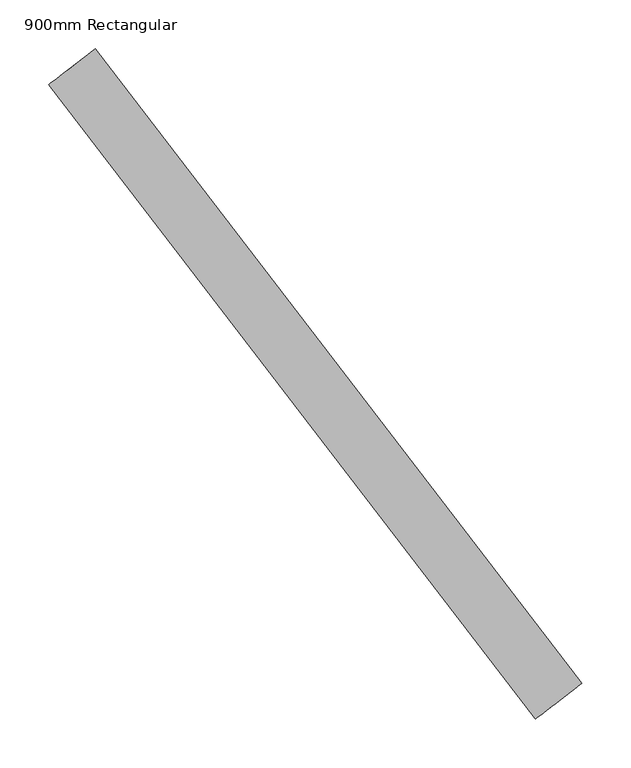
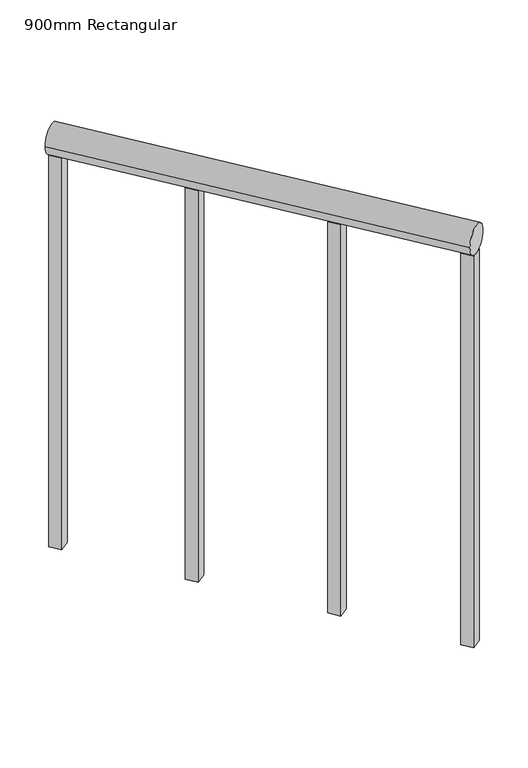
"""IFC4 building model written with IfcOpenShell, lengths in millimetres: railing geometry, 900mm Rectangular."""

from ifc_helpers import new_model, si_unit, point, frame, frame_2d, origin, place, context, project, spatial, polyline, circle_curve, trimmed, segment, composite_curve, outline, extrude, source, transform, mapped, element, save


def railing_900mm_rectangular_9f22e35b(model_context):
    return source(origin(), model_context, "Body", "SweptSolid", [
        extrude(outline(composite_curve([segment(trimmed(circle_curve(frame_2d((0.0, 20.0)), 30.0), [point((30.0, 20.0))], [point((-30.0, 20.0))], False, "CARTESIAN"), True, "CONTINUOUS"), segment(trimmed(circle_curve(frame_2d((0.0, 20.0)), 30.0), [point((-30.0, 20.0))], [point((30.0, 20.0))], False, "CARTESIAN"), True, "CONTINUOUS")], self_intersect=False)), frame((-12487.062334, 10250.3147126, 4500.0), z_axis=(-0.6084643426153796, 0.7935812143477402, 0.0), x_axis=(0.7935812143477402, 0.6084643426153796, 0.0)), (0.0, 0.0, 1.0), 818.2525076),
        extrude(outline(polyline([(-12667.8099891, 10465.5088242), (-12647.9704588, 10480.7204328), (-12632.7588502, 10460.8809024), (-12652.5983806, 10445.6692939), (-12667.8099891, 10465.5088242)])), frame((0.0, 0.0, 3600.0), z_axis=(0.0, 0.0, 1.0), x_axis=(1.0, 0.0, 0.0)), (0.0, 0.0, 1.0), 850.0),
        extrude(outline(polyline([(-12835.1376834, 10683.7436582), (-12815.298153, 10698.9552667), (-12800.0865444, 10679.1157364), (-12819.9260748, 10663.9041278), (-12835.1376834, 10683.7436582)])), frame((0.0, 0.0, 3600.0), z_axis=(0.0, 0.0, 1.0), x_axis=(1.0, 0.0, 0.0)), (0.0, 0.0, 1.0), 850.0),
        extrude(outline(polyline([(-12512.1937077, 10262.5484387), (-12492.3541774, 10277.7600472), (-12477.1425688, 10257.9205169), (-12496.9820992, 10242.7089083), (-12512.1937077, 10262.5484387)])), frame((0.0, 0.0, 3600.0), z_axis=(0.0, 0.0, 1.0), x_axis=(1.0, 0.0, 0.0)), (0.0, 0.0, 1.0), 850.0),
        extrude(outline(polyline([(-12994.8595733, 10892.0587269), (-12975.0200429, 10907.2703355), (-12959.8084344, 10887.4308051), (-12979.6479647, 10872.2191966), (-12994.8595733, 10892.0587269)])), frame((0.0, 0.0, 3600.0), z_axis=(0.0, 0.0, 1.0), x_axis=(1.0, 0.0, 0.0)), (0.0, 0.0, 1.0), 850.0),
    ])


if __name__ == "__main__":
    model = new_model("IFC4")
    model_context = context("Model", 3, world=origin())
    ifc_project = project(units=[si_unit("LENGTHUNIT", "METRE", prefix="MILLI")], contexts=[model_context])
    site = spatial("IfcSite", under=ifc_project)
    building = spatial("IfcBuilding", under=site)
    placement = place(None, origin())
    railing_900mm_rectangular_shape = railing_900mm_rectangular_9f22e35b(model_context)
    element("IfcRailing", 1, ObjectType="900mm Rectangular", at=placement, inside=building, context=model_context, shape_type="MappedRepresentation", body=[
        mapped(railing_900mm_rectangular_shape, transform((0.0, 0.0, 0.0), x_axis=(1.0, 0.0, 0.0), y_axis=(0.0, 1.0, 0.0), z_axis=(0.0, 0.0, 1.0))),
    ])
    save(model, "model.ifc")
